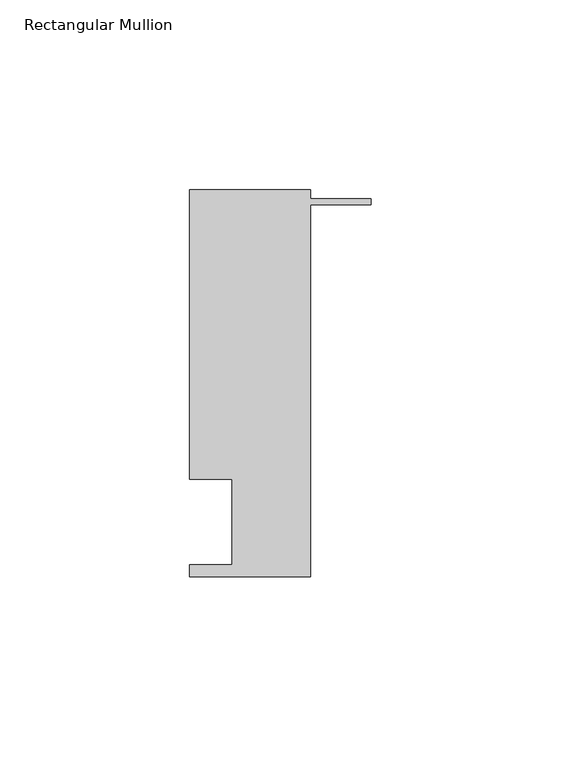
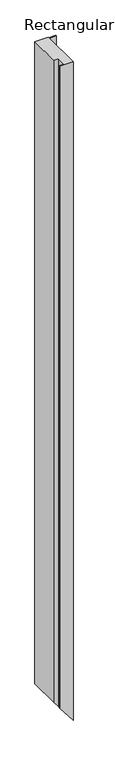
"""IFC4 building model written with IfcOpenShell, lengths in millimetres: member geometry, Rectangular Mullion."""

import ifcopenshell
import ifcopenshell.guid

model = None  # the IFC model being written
_history = None  # IfcOwnerHistory: only IFC2X3 demands one
_inside = {}  # id of a spatial element -> (the spatial element, [elements in it])
_under = {}  # id of a project, library or spatial element -> (it, [spatial elements below it])
_declared = {}  # id of a project -> (the project, [libraries it declares])
_typed = {}  # id of a type object -> (the type object, [elements of that type])
_made_of = {}  # id of a material, layer set ... -> (it, [elements and type objects made of it])


def new_model(schema):
    """Start an empty IFC model of exactly this schema.

    Asked for "IFC4X3", IfcOpenShell would pick the latest addendum, in which some entities
    have other attributes; the version numbers below select the first issue.
    IFC2X3 requires an IfcOwnerHistory on every rooted entity: one is made here for all.
    """
    global model, _history
    if schema == "IFC4X3":
        model = ifcopenshell.file(schema_version=(4, 3, 0, 0))
    else:
        model = ifcopenshell.file(schema=schema)
    _inside.clear()
    _under.clear()
    _declared.clear()
    _typed.clear()
    _made_of.clear()
    _history = None
    if model.schema == "IFC2X3":
        org = make("IfcOrganization", Name="unknown")
        user = make(
            "IfcPersonAndOrganization",
            ThePerson=make("IfcPerson", FamilyName="unknown"),
            TheOrganization=org,
        )
        app = make(
            "IfcApplication",
            ApplicationDeveloper=org,
            Version="unknown",
            ApplicationFullName="unknown",
            ApplicationIdentifier="unknown",
        )
        _history = make(
            "IfcOwnerHistory",
            OwningUser=user,
            OwningApplication=app,
            ChangeAction="ADDED",
            CreationDate=0,
        )
    return model


def make(cls, **values):
    """One entity of the class cls with the attributes given. An attribute that is None is left unset."""
    return model.create_entity(
        cls, **{name: value for name, value in values.items() if value is not None}
    )


def rooted(cls, **values):
    """An entity with a GlobalId (a new one), such as an element, a storey or a relation."""
    return make(cls, GlobalId=ifcopenshell.guid.new(), OwnerHistory=_history, **values)


def si_unit(unit_type, name, prefix=None):
    """IfcSIUnit, for example si_unit("LENGTHUNIT", "METRE", prefix="MILLI")."""
    return make("IfcSIUnit", UnitType=unit_type, Prefix=prefix, Name=name)


def assignment(units):
    """IfcUnitAssignment: the units of a project."""
    return None if units is None else make("IfcUnitAssignment", Units=units)


def point(xyz):
    """IfcCartesianPoint."""
    return None if xyz is None else make("IfcCartesianPoint", Coordinates=xyz)


def direction(xyz):
    """IfcDirection."""
    return None if xyz is None else make("IfcDirection", DirectionRatios=xyz)


def frame(location, z_axis=None, x_axis=None):
    """IfcAxis2Placement3D, a coordinate frame: its origin and axes. An axis left out is left unset."""
    return make(
        "IfcAxis2Placement3D",
        Location=point(location),
        Axis=direction(z_axis),
        RefDirection=direction(x_axis),
    )


def origin():
    """The frame at (0, 0, 0) with its axes left unset."""
    return frame((0.0, 0.0, 0.0))


def place(relative_to, where):
    """IfcLocalPlacement: puts the frame where relative to a parent placement (None: the world)."""
    return make(
        "IfcLocalPlacement", PlacementRelTo=relative_to, RelativePlacement=where
    )


def context(
    kind, dimensions, precision=None, world=None, true_north=None, identifier=None
):
    """IfcGeometricRepresentationContext, for example the 3D "Model" context."""
    return make(
        "IfcGeometricRepresentationContext",
        ContextIdentifier=identifier,
        ContextType=kind,
        CoordinateSpaceDimension=dimensions,
        Precision=precision,
        WorldCoordinateSystem=world,
        TrueNorth=true_north,
    )


def project(units=None, contexts=None):
    """IfcProject with its units and contexts."""
    return rooted(
        "IfcProject",
        Name="project",
        RepresentationContexts=contexts,
        UnitsInContext=assignment(units),
    )


def spatial(cls, under=None, at=None, **own):
    """A site, building, storey or space (cls), placed at a placement, below another one or the project."""
    s = rooted(cls, ObjectPlacement=at, **own)
    if under is not None:
        _under.setdefault(under.id(), (under, []))[1].append(s)
    return s


def faces_of(points, faces, orient=None, outer=None):
    """IfcFace entities. A face is a list of loops; a loop is a list of indices into points, from 0.

    orient and outer hold one flag for each loop. By default every Orientation is true, the
    first loop of a face is its IfcFaceOuterBound and the others are IfcFaceBound.
    """
    made = []
    for i, loops in enumerate(faces):
        bounds = []
        for j, loop in enumerate(loops):
            is_outer = j == 0 if outer is None else outer[i][j]
            bounds.append(
                make(
                    "IfcFaceOuterBound" if is_outer else "IfcFaceBound",
                    Bound=make("IfcPolyLoop", Polygon=[points[k] for k in loop]),
                    Orientation=True if orient is None else orient[i][j],
                )
            )
        made.append(make("IfcFace", Bounds=bounds))
    return made


def faceted_brep(points, faces, orient=None, outer=None, voids=None):
    """IfcFacetedBrep: a solid bounded by flat faces; with voids (closed shells), ...WithVoids."""
    shared = [point(p) for p in points]
    hull = make("IfcClosedShell", CfsFaces=faces_of(shared, faces, orient, outer))
    if voids is None:
        return make("IfcFacetedBrep", Outer=hull)
    return make(
        "IfcFacetedBrepWithVoids",
        Outer=hull,
        Voids=[
            make(cls, CfsFaces=faces_of(shared, fs, o, b)) for cls, fs, o, b in voids
        ],
    )


def shape(context_of_items, identifier, shape_type, items):
    """IfcShapeRepresentation: the items that make up one representation, for example the "Body"."""
    return make(
        "IfcShapeRepresentation",
        ContextOfItems=context_of_items,
        RepresentationIdentifier=identifier,
        RepresentationType=shape_type,
        Items=items,
    )


def source(mapping_origin, context_of_items, identifier, shape_type, items):
    """IfcRepresentationMap: a shape defined once, which mapped items show again and again."""
    return make(
        "IfcRepresentationMap",
        MappingOrigin=mapping_origin,
        MappedRepresentation=shape(context_of_items, identifier, shape_type, items),
    )


def transform(
    local_origin,
    x_axis=None,
    y_axis=None,
    z_axis=None,
    scale=None,
    scale2=None,
    scale3=None,
    uniform=True,
):
    """IfcCartesianTransformationOperator3D, or its non-uniform kind. x_axis, y_axis, z_axis: its Axis1, 2, 3."""
    if uniform:
        return make(
            "IfcCartesianTransformationOperator3D",
            Axis1=direction(x_axis),
            Axis2=direction(y_axis),
            LocalOrigin=point(local_origin),
            Scale=scale,
            Axis3=direction(z_axis),
        )
    return make(
        "IfcCartesianTransformationOperator3DnonUniform",
        Axis1=direction(x_axis),
        Axis2=direction(y_axis),
        LocalOrigin=point(local_origin),
        Scale=scale,
        Axis3=direction(z_axis),
        Scale2=scale2,
        Scale3=scale3,
    )


def mapped(mapping_source, mapping_target):
    """IfcMappedItem: shows the shape of a source again, moved by a transform."""
    return make(
        "IfcMappedItem", MappingSource=mapping_source, MappingTarget=mapping_target
    )


def made_of(thing, what):
    """Note that an element or type object is made of a material, layer set ...; save() writes the relation."""
    if what is not None:
        _made_of.setdefault(what.id(), (what, []))[1].append(thing)
    return thing


def element(
    cls,
    number,
    at=None,
    inside=None,
    cuts=None,
    type_object=None,
    material=None,
    context=None,
    identifier="Body",
    shape_type=None,
    held_by="IfcProductDefinitionShape",
    body=None,
    shapes=None,
    **own,
):
    """One element of the class cls, such as IfcWall. Its Tag is "e" and its number.

    at: its placement. inside: the storey or other place that contains it. cuts: it is an
    opening in that element (IfcRelVoidsElement). A single representation is given by context,
    identifier, shape_type and body (its items); several are given by shapes. held_by: the class
    of the entity that holds the representations. save() writes the other relations.
    """
    e = rooted(cls, Tag="e%d" % number, ObjectPlacement=at, **own)
    if body is not None:
        shapes = [shape(context, identifier, shape_type, body)]
    if shapes is not None:
        e.Representation = make(held_by, Representations=shapes)
    if inside is not None:
        _inside.setdefault(inside.id(), (inside, []))[1].append(e)
    if cuts is not None:
        rooted(
            "IfcRelVoidsElement", RelatingBuildingElement=cuts, RelatedOpeningElement=e
        )
    if type_object is not None:
        _typed.setdefault(type_object.id(), (type_object, []))[1].append(e)
    return made_of(e, material)


def aggregate(whole, parts):
    """IfcRelAggregates: a whole, such as a stair, and the parts it consists of."""
    return rooted("IfcRelAggregates", RelatingObject=whole, RelatedObjects=parts)


def save(model, path):
    """Write the relations noted so far, then the file.

    IfcRelAggregates (storeys below a building ...), IfcRelContainedInSpatialStructure (elements
    in a storey), IfcRelDefinesByType, IfcRelAssociatesMaterial and IfcRelDeclares: one each for
    every whole, place, type object, material and project.
    """
    for whole, parts in _under.values():
        aggregate(whole, parts)
    for where, things in _inside.values():
        rooted(
            "IfcRelContainedInSpatialStructure",
            RelatedElements=things,
            RelatingStructure=where,
        )
    for kind, things in _typed.values():
        rooted("IfcRelDefinesByType", RelatedObjects=things, RelatingType=kind)
    for what, things in _made_of.values():
        rooted("IfcRelAssociatesMaterial", RelatedObjects=things, RelatingMaterial=what)
    for by, libraries in _declared.values():
        rooted("IfcRelDeclares", RelatingContext=by, RelatedDefinitions=libraries)
    model.write(path)


def rectangular_mullion_ab73c968(model_context):
    return source(origin(), model_context, "Body", "Brep", [
        faceted_brep([(-36.6424407, 17.0149409, 0.0), (-47.7676407, 17.0149409, 0.0), (-47.7676407, 13.8350625, 0.0), (-16.0176407, 13.8350625, 0.0), (-16.0176407, 111.8282625, 0.0), (0.0, 111.8282625, 0.0), (0.0, 113.4030625, 0.0), (-16.0176407, 113.4030625, 0.0), (-16.0176407, 115.6890625, 0.0), (-47.7662542, 115.6890625, 0.0), (-47.7662542, 39.4890625, 0.0), (-36.6424407, 39.4890625, 0.0), (-36.6424407, 17.0149409, -1617.1727351), (-47.7676407, 17.0149409, -1602.8656068), (-47.7676407, 13.8350625, -1602.8656068), (-16.0176407, 13.8350625, -1643.6964523), (-16.0176407, 111.8282625, -1643.6964523), (0.0, 111.8282625, -1664.2953125), (0.0, 113.4030625, -1664.2953125), (-16.0176407, 113.4030625, -1643.6964523), (-16.0176407, 115.6890625, -1643.6964523), (-47.7662542, 115.6890625, -1602.8673899), (-47.7662542, 39.4890625, -1602.8673899), (-36.6424407, 39.4890625, -1617.1727351)], [[[0, 1, 2, 3, 4, 5, 6, 7, 8, 9, 10, 11]], [[1, 0, 12, 13]], [[2, 1, 13, 14]], [[3, 2, 14, 15]], [[4, 3, 15, 16]], [[5, 4, 16, 17]], [[6, 5, 17, 18]], [[7, 6, 18, 19]], [[8, 7, 19, 20]], [[9, 8, 20, 21]], [[10, 9, 21, 22]], [[11, 10, 22, 23]], [[0, 11, 23, 12]], [[12, 23, 22, 21, 20, 19, 18, 17, 16, 15, 14, 13]]]),
    ])


if __name__ == "__main__":
    model = new_model("IFC4")
    model_context = context("Model", 3, world=origin())
    ifc_project = project(units=[si_unit("LENGTHUNIT", "METRE", prefix="MILLI")], contexts=[model_context])
    site = spatial("IfcSite", under=ifc_project)
    building = spatial("IfcBuilding", under=site)
    placement = place(None, origin())
    rectangular_mullion_shape = rectangular_mullion_ab73c968(model_context)
    element("IfcMember", 1, ObjectType="Rectangular Mullion", at=placement, inside=building, context=model_context, shape_type="MappedRepresentation", body=[
        mapped(rectangular_mullion_shape, transform((0.0, 0.0, 0.0), x_axis=(1.0, 0.0, 0.0), y_axis=(0.0, 1.0, 0.0), z_axis=(0.0, 0.0, 1.0))),
    ])
    save(model, "model.ifc")
